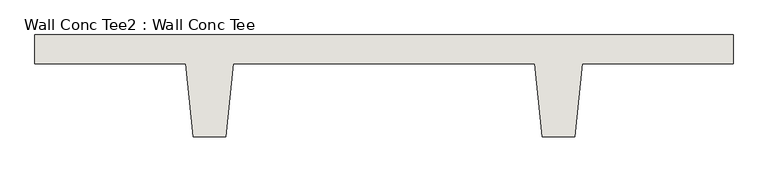
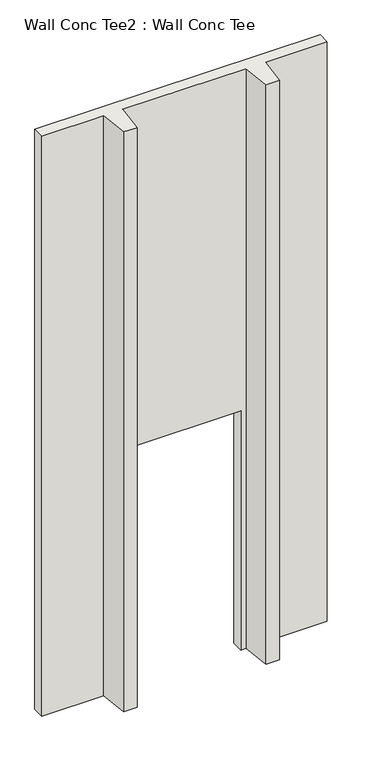
"""IFC4 building model written with IfcOpenShell, lengths in millimetres: wall geometry, Wall Conc Tee2 : Wall Conc Tee."""

from ifc_helpers import new_model, si_unit, origin, place, context, project, spatial, faceted_brep, source, transform, mapped, element, save


def wall_conc_tee2_wall_conc_tee_31a1ada7(model_context):
    return source(origin(), model_context, "Body", "Brep", [
        faceted_brep([(212611.4728488, 159042.8596581, 5376.1679688), (210173.0728488, 159042.8596581, 5376.1679688), (210173.0728488, 158941.2596581, 5376.1679688), (210700.1228488, 158941.2596581, 5376.1679688), (210725.5228488, 158687.2596581, 5376.1679688), (210839.8228488, 158687.2596581, 5376.1679688), (210865.2228488, 158941.2596581, 5376.1679688), (211919.3228488, 158941.2596581, 5376.1679688), (211944.7228488, 158687.2596581, 5376.1679688), (212059.0228488, 158687.2596581, 5376.1679688), (212084.4228488, 158941.2596581, 5376.1679688), (212611.4728488, 158941.2596581, 5376.1679688), (212611.4728488, 159042.8596581, 143.7592564), (212611.4728488, 158941.2596581, 143.7592564), (212084.4228488, 158941.2596581, 143.7592564), (212059.0228488, 158687.2596581, 143.7592564), (211944.7228488, 158687.2596581, 143.7592564), (211919.3228488, 158941.2596581, 143.7592564), (211874.8728488, 158941.2596581, 143.7592564), (211874.8728488, 159042.8596581, 143.7592564), (210865.2228488, 158941.2596581, 143.7592564), (210839.8228488, 158687.2596581, 143.7592564), (210725.5228488, 158687.2596581, 143.7592564), (210700.1228488, 158941.2596581, 143.7592564), (210173.0728488, 158941.2596581, 143.7592564), (210173.0728488, 159042.8596581, 143.7592564), (210909.6728488, 159042.8596581, 143.7592564), (210909.6728488, 158941.2596581, 143.7592564), (211874.8728488, 159042.8596581, 2302.7592564), (210909.6728488, 159042.8596581, 2302.7592564), (210909.6728488, 158941.2596581, 2302.7592564), (211874.8728488, 158941.2596581, 2302.7592564)], [[[0, 1, 2, 3, 4, 5, 6, 7, 8, 9, 10, 11]], [[12, 13, 14, 15, 16, 17, 18, 19]], [[20, 21, 22, 23, 24, 25, 26, 27]], [[1, 0, 12, 19, 28, 29, 26, 25]], [[2, 1, 25, 24]], [[3, 2, 24, 23]], [[4, 3, 23, 22]], [[5, 4, 22, 21]], [[6, 5, 21, 20]], [[7, 6, 20, 27, 30, 31, 18, 17]], [[8, 7, 17, 16]], [[9, 8, 16, 15]], [[10, 9, 15, 14]], [[11, 10, 14, 13]], [[0, 11, 13, 12]], [[31, 28, 19, 18]], [[28, 31, 30, 29]], [[29, 30, 27, 26]]]),
    ])


if __name__ == "__main__":
    model = new_model("IFC4")
    model_context = context("Model", 3, world=origin())
    ifc_project = project(units=[si_unit("LENGTHUNIT", "METRE", prefix="MILLI")], contexts=[model_context])
    site = spatial("IfcSite", under=ifc_project)
    building = spatial("IfcBuilding", under=site)
    placement = place(None, origin())
    wall_conc_tee2_wall_conc_tee_shape = wall_conc_tee2_wall_conc_tee_31a1ada7(model_context)
    element("IfcWall", 1, ObjectType="Wall Conc Tee2 : Wall Conc Tee", at=placement, inside=building, context=model_context, shape_type="MappedRepresentation", body=[
        mapped(wall_conc_tee2_wall_conc_tee_shape, transform((0.0, 0.0, 0.0), x_axis=(1.0, 0.0, 0.0), y_axis=(0.0, 1.0, 0.0), z_axis=(0.0, 0.0, 1.0))),
    ])
    save(model, "model.ifc")
